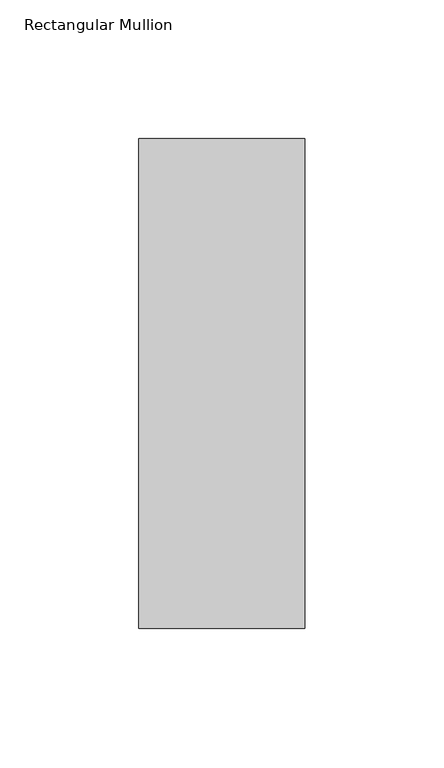
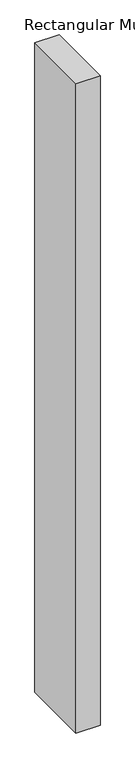
"""IFC4 building model written with IfcOpenShell, lengths in millimetres: member geometry, Rectangular Mullion."""

from ifc_helpers import new_model, si_unit, frame, origin, place, context, project, spatial, polyline, outline, extrude, source, transform, mapped, element, save


def rectangular_mullion_0251e029(model_context):
    return source(origin(), model_context, "Body", "SweptSolid", [
        extrude(outline(polyline([(30.0, 133.875), (30.0, -42.875), (-30.0, -42.875), (-30.0, 133.875), (30.0, 133.875)])), frame((0.0, 0.0, -1708.8912252), z_axis=(0.0, 0.0, 1.0), x_axis=(1.0, 0.0, 0.0)), (0.0, 0.0, 1.0), 1708.8912252),
    ])


if __name__ == "__main__":
    model = new_model("IFC4")
    model_context = context("Model", 3, world=origin())
    ifc_project = project(units=[si_unit("LENGTHUNIT", "METRE", prefix="MILLI")], contexts=[model_context])
    site = spatial("IfcSite", under=ifc_project)
    building = spatial("IfcBuilding", under=site)
    placement = place(None, origin())
    rectangular_mullion_shape = rectangular_mullion_0251e029(model_context)
    element("IfcMember", 1, ObjectType="Rectangular Mullion", at=placement, inside=building, context=model_context, shape_type="MappedRepresentation", body=[
        mapped(rectangular_mullion_shape, transform((0.0, 0.0, 0.0), x_axis=(1.0, 0.0, 0.0), y_axis=(0.0, 1.0, 0.0), z_axis=(0.0, 0.0, 1.0))),
    ])
    save(model, "model.ifc")
